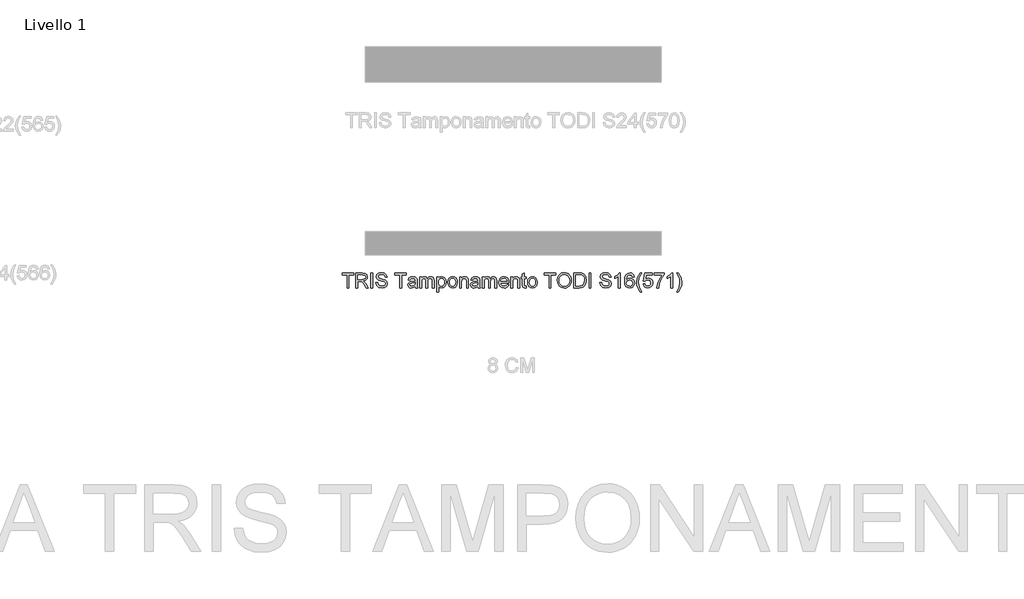
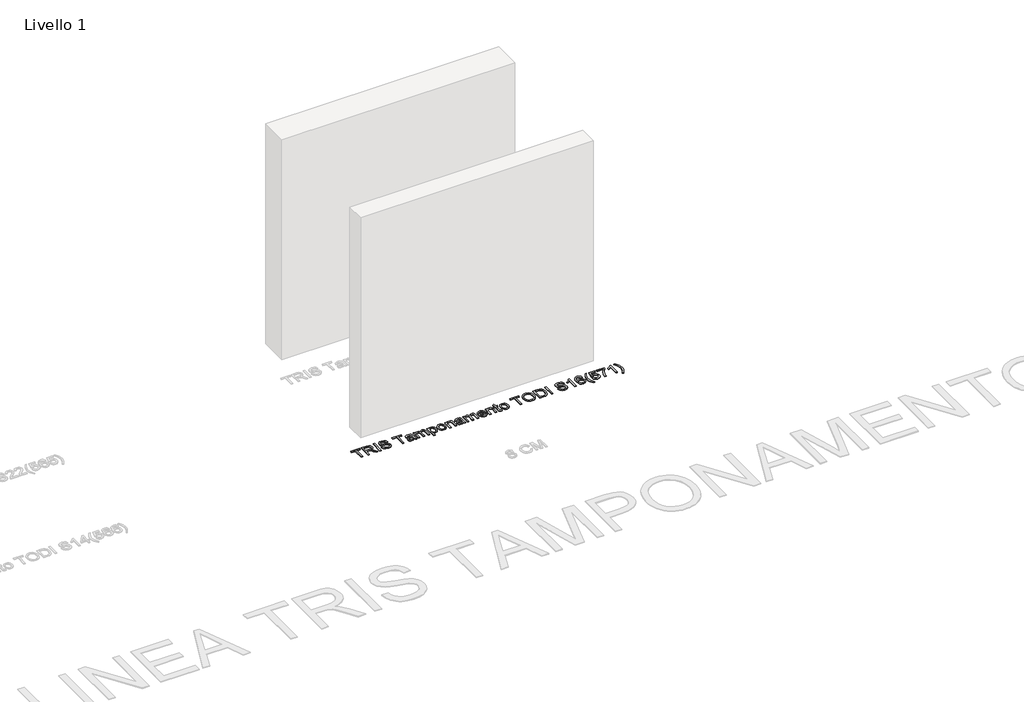
# One storey, part 2 of 18: 1 proxy.
"""IFC4 building model written with IfcOpenShell, lengths in millimetres."""

from ifc_helpers import new_model, si_unit, origin, origin_with_axes, place, context, project, spatial, polyline, outline, extrude, element, save

model = new_model("IFC4")

# Units and contexts
model_context = context("Model", 3, world=origin())
ifc_project = project(units=[si_unit("LENGTHUNIT", "METRE", prefix="MILLI")], contexts=[model_context])

# Site, building, storey
site = spatial("IfcSite", under=ifc_project)
building = spatial("IfcBuilding", under=site)
storey = spatial("IfcBuildingStorey", under=building, Name="Livello 1", Elevation=0.0)

# Proxy
placement = place(None, origin())
element("IfcBuildingElementProxy", 1, Name="100", ObjectType="100", at=placement, inside=storey, context=model_context, shape_type="SweptSolid", body=[
    extrude(outline(polyline([(-1344.3573526, -4262.7868115), (-1344.3573526, -4174.8875401), (-1377.3195794, -4174.8875401), (-1377.3195794, -4162.3305013), (-1298.8380871, -4162.3305013), (-1298.8380871, -4174.8875401), (-1331.8003138, -4174.8875401), (-1331.8003138, -4262.7868115), (-1344.3573526, -4262.7868115)])), origin_with_axes(), (0.0, 0.0, 1.0), 5.0),
    extrude(outline(polyline([(-1284.7114184, -4262.7868115), (-1284.7114184, -4162.3305013), (-1241.4239703, -4162.3305013), (-1221.3253507, -4165.0405654), (-1210.3379418, -4174.6300227), (-1206.2299261, -4189.8235491), (-1207.9313804, -4199.7195748), (-1213.0357431, -4207.9233433), (-1221.6962984, -4213.9382139), (-1234.0663304, -4217.2675459), (-1226.9294197, -4222.6386231), (-1216.7513512, -4235.5635438), (-1200.0004577, -4262.7868115), (-1214.5931102, -4262.7868115), (-1227.6651837, -4241.9646905), (-1237.1074883, -4228.1813785), (-1243.7416269, -4221.6698671), (-1249.713578, -4219.2786342), (-1256.9976415, -4218.8371758), (-1272.1543797, -4218.8371758), (-1272.1543797, -4262.7868115), (-1284.7114184, -4262.7868115)]), holes=[polyline([(-1272.1543797, -4206.280137), (-1244.0481952, -4206.280137), (-1229.7130602, -4204.5020407), (-1221.5706053, -4198.8121325), (-1218.7869649, -4190.289533), (-1224.0967284, -4179.2285476), (-1240.8844101, -4174.8875401), (-1272.1543797, -4174.8875401), (-1272.1543797, -4206.280137)])]), origin_with_axes(), (0.0, 0.0, 1.0), 5.0),
    extrude(outline(polyline([(-1182.6854785, -4262.7868115), (-1182.6854785, -4162.3305013), (-1170.1284397, -4162.3305013), (-1170.1284397, -4262.7868115), (-1182.6854785, -4262.7868115)])), origin_with_axes(), (0.0, 0.0, 1.0), 5.0),
    extrude(outline(polyline([(-1149.7232517, -4228.2549549), (-1137.1662129, -4228.2549549), (-1133.119511, -4240.8242564), (-1123.235748, -4248.7705075), (-1108.1771117, -4251.7994026), (-1095.0559872, -4249.5062714), (-1086.5824386, -4243.2032266), (-1083.7987981, -4234.7787289), (-1085.8834628, -4226.9428424), (-1094.4183251, -4221.2406715), (-1112.7020602, -4216.4459428), (-1132.383747, -4210.2532626), (-1143.0645876, -4200.9090599), (-1146.583992, -4188.4255975), (-1142.2307217, -4174.2130898), (-1129.5142674, -4164.182174), (-1110.8994385, -4160.7608715), (-1091.0338107, -4164.3415896), (-1077.7900589, -4174.8630146), (-1072.8113892, -4190.5838386), (-1085.368428, -4190.5838386), (-1087.6738218, -4183.0913086), (-1092.4808132, -4177.6834433), (-1110.4089291, -4173.3179102), (-1128.386096, -4177.6343923), (-1134.0269532, -4188.0577155), (-1130.0293022, -4196.7642561), (-1109.5260123, -4203.7785394), (-1087.3059398, -4210.0815843), (-1075.1535713, -4220.2596528), (-1071.2417594, -4234.4598978), (-1075.7421825, -4249.481746), (-1088.6916287, -4260.4446294), (-1107.6866024, -4264.3564413), (-1130.1151413, -4260.1380611), (-1144.3031236, -4247.4338695), (-1149.7232517, -4228.2549549)])), origin_with_axes(), (0.0, 0.0, 1.0), 5.0),
    extrude(outline(polyline([(-988.0513775, -4262.7868115), (-988.0513775, -4174.8875401), (-1021.0136043, -4174.8875401), (-1021.0136043, -4162.3305013), (-942.532112, -4162.3305013), (-942.532112, -4174.8875401), (-975.4943388, -4174.8875401), (-975.4943388, -4262.7868115), (-988.0513775, -4262.7868115)])), origin_with_axes(), (0.0, 0.0, 1.0), 5.0),
    extrude(outline(polyline([(-882.8861778, -4253.3690324), (-895.0630719, -4261.8793692), (-908.5152902, -4264.3564413), (-919.0091241, -4262.8665192), (-926.7499744, -4258.396753), (-931.5232433, -4251.6093302), (-933.1143329, -4243.1664384), (-930.7108372, -4233.2336245), (-924.3955296, -4226.0231374), (-915.60315, -4221.9028591), (-904.7383684, -4220.0143982), (-882.9597542, -4215.6979161), (-882.8861778, -4212.9020129), (-886.3442686, -4203.6313866), (-900.2256826, -4200.0016176), (-912.9298741, -4202.4173761), (-918.9876643, -4210.9890266), (-931.5447031, -4209.4193967), (-926.1123123, -4197.1566635), (-915.1739543, -4189.9707019), (-898.6070018, -4187.4445789), (-883.3889499, -4189.6763963), (-874.792774, -4195.2804654), (-870.9422757, -4203.8030649), (-870.3291391, -4214.7904738), (-870.3291391, -4230.4131959), (-869.691477, -4252.2285982), (-867.1898794, -4262.7868115), (-879.7469182, -4262.7868115), (-882.8861778, -4253.3690324)]), holes=[polyline([(-882.8861778, -4228.2549549), (-903.144213, -4232.1054531), (-913.947681, -4234.1410668), (-918.8405115, -4237.4520047), (-920.5572942, -4242.2835216), (-916.8171605, -4249.0770758), (-905.8420143, -4251.7994026), (-893.1378228, -4248.7950329), (-884.946317, -4241.5232322), (-882.9597542, -4231.8111475), (-882.8861778, -4228.2549549)])]), origin_with_axes(), (0.0, 0.0, 1.0), 5.0),
    extrude(outline(polyline([(-853.0632108, -4262.7868115), (-853.0632108, -4189.0142087), (-840.506172, -4189.0142087), (-840.506172, -4201.1543145), (-831.8732079, -4191.2092379), (-819.5859492, -4187.4445789), (-807.004385, -4191.2828143), (-800.0882035, -4202.0372313), (-790.2902797, -4191.092742), (-777.9171819, -4187.4445789), (-768.477943, -4188.9620921), (-761.4973822, -4193.5146318), (-757.1839658, -4201.2248253), (-755.7461603, -4212.2152999), (-755.7461603, -4262.7868115), (-768.3031991, -4262.7868115), (-768.3031991, -4217.6109025), (-769.4681587, -4207.1262656), (-773.6865389, -4201.9636549), (-780.8602379, -4200.0016176), (-793.2088102, -4205.0293382), (-796.8968272, -4211.5715064), (-798.1261662, -4221.1425696), (-798.1261662, -4262.7868115), (-810.6832049, -4262.7868115), (-810.6832049, -4216.2129509), (-813.5894727, -4204.0483196), (-823.1176164, -4200.0016176), (-832.4127681, -4202.6994189), (-838.5931856, -4210.5966191), (-840.506172, -4225.581679), (-840.506172, -4262.7868115), (-853.0632108, -4262.7868115)])), origin_with_axes(), (0.0, 0.0, 1.0), 5.0),
    extrude(outline(polyline([(-736.9106022, -4291.0401487), (-736.9106022, -4189.0142087), (-724.3535634, -4189.0142087), (-724.3535634, -4201.3259928), (-715.6715483, -4190.9149323), (-703.9483754, -4187.4445789), (-688.0313477, -4192.3006212), (-677.63255, -4205.9858314), (-674.1254083, -4225.3364244), (-678.0862711, -4245.6802987), (-689.5887148, -4259.5371872), (-705.4689543, -4264.3564413), (-716.3950496, -4261.1313425), (-724.3535634, -4252.9766249), (-724.3535634, -4291.0401487), (-736.9106022, -4291.0401487)]), holes=[polyline([(-724.3535634, -4226.4891213), (-722.9954657, -4237.7463103), (-718.9211726, -4245.618985), (-712.9093677, -4250.2542982), (-705.7387344, -4251.7994026), (-698.4516052, -4250.1991159), (-692.2865161, -4245.3982558), (-688.0834644, -4237.2374069), (-686.6824471, -4225.5571536), (-688.0497418, -4214.3612782), (-692.1516261, -4206.3782389), (-698.154234, -4201.5957729), (-705.2236996, -4200.0016176), (-712.3207565, -4201.6969405), (-718.5532906, -4206.7829091), (-722.9034952, -4215.1001078), (-724.3535634, -4226.4891213)])]), origin_with_axes(), (0.0, 0.0, 1.0), 5.0),
    extrude(outline(polyline([(-663.1379994, -4225.9005101), (-660.421804, -4208.1134156), (-652.2732178, -4195.6115592), (-642.2055139, -4189.4863239), (-630.1512472, -4187.4445789), (-616.959612, -4189.930848), (-606.4228585, -4197.3896555), (-599.515874, -4209.23239), (-597.2135459, -4224.8704405), (-601.2847733, -4247.2131403), (-613.1428363, -4259.8560182), (-630.1512472, -4264.3564413), (-643.5022979, -4261.8793692), (-654.0267886, -4254.4481529), (-660.8601967, -4242.357098), (-663.1379994, -4225.9005101)]), holes=[polyline([(-650.5809606, -4225.8759846), (-649.1278267, -4237.2404726), (-644.7684251, -4245.3369422), (-638.2078629, -4250.1837875), (-630.1512472, -4251.7994026), (-622.1314197, -4250.1745904), (-615.5831202, -4245.300154), (-611.2237185, -4237.0963855), (-609.7705846, -4225.4835772), (-611.2329156, -4214.450183), (-615.6199084, -4206.464078), (-622.1774049, -4201.6172327), (-630.1512472, -4200.0016176), (-638.2078629, -4201.6111014), (-644.7684251, -4206.4395525), (-649.1278267, -4214.517628), (-650.5809606, -4225.8759846)])]), origin_with_axes(), (0.0, 0.0, 1.0), 5.0),
    extrude(outline(polyline([(-583.0868772, -4262.7868115), (-583.0868772, -4189.0142087), (-570.5298385, -4189.0142087), (-570.5298385, -4199.3149046), (-560.9281184, -4190.4121603), (-547.8192566, -4187.4445789), (-535.9611937, -4189.8358118), (-527.8677898, -4196.1143312), (-524.1031307, -4205.3481693), (-523.4409431, -4217.4882751), (-523.4409431, -4262.7868115), (-535.9979819, -4262.7868115), (-535.9979819, -4219.1805323), (-537.4449844, -4208.0704961), (-542.5585441, -4202.1966469), (-551.1792455, -4200.0016176), (-564.8031421, -4204.9312364), (-569.0981644, -4212.0742784), (-570.5298385, -4223.6441672), (-570.5298385, -4262.7868115), (-583.0868772, -4262.7868115)])), origin_with_axes(), (0.0, 0.0, 1.0), 5.0),
    extrude(outline(polyline([(-459.0861194, -4253.3690324), (-471.2630134, -4261.8793692), (-484.7152317, -4264.3564413), (-495.2090656, -4262.8665192), (-502.949916, -4258.396753), (-507.7231849, -4251.6093302), (-509.3142745, -4243.1664384), (-506.9107788, -4233.2336245), (-500.5954712, -4226.0231374), (-491.8030915, -4221.9028591), (-480.9383099, -4220.0143982), (-459.1596958, -4215.6979161), (-459.0861194, -4212.9020129), (-462.5442102, -4203.6313866), (-476.4256241, -4200.0016176), (-489.1298157, -4202.4173761), (-495.1876059, -4210.9890266), (-507.7446446, -4209.4193967), (-502.3122538, -4197.1566635), (-491.3738958, -4189.9707019), (-474.8069433, -4187.4445789), (-459.5888915, -4189.6763963), (-450.9927155, -4195.2804654), (-447.1422173, -4203.8030649), (-446.5290806, -4214.7904738), (-446.5290806, -4230.4131959), (-445.8914185, -4252.2285982), (-443.3898209, -4262.7868115), (-455.9468597, -4262.7868115), (-459.0861194, -4253.3690324)]), holes=[polyline([(-459.0861194, -4228.2549549), (-479.3441546, -4232.1054531), (-490.1476225, -4234.1410668), (-495.0404531, -4237.4520047), (-496.7572357, -4242.2835216), (-493.0171021, -4249.0770758), (-482.0419559, -4251.7994026), (-469.3377643, -4248.7950329), (-461.1462586, -4241.5232322), (-459.1596958, -4231.8111475), (-459.0861194, -4228.2549549)])]), origin_with_axes(), (0.0, 0.0, 1.0), 5.0),
    extrude(outline(polyline([(-429.2631523, -4262.7868115), (-429.2631523, -4189.0142087), (-416.7061136, -4189.0142087), (-416.7061136, -4201.1543145), (-408.0731494, -4191.2092379), (-395.7858908, -4187.4445789), (-383.2043265, -4191.2828143), (-376.288145, -4202.0372313), (-366.4902212, -4191.092742), (-354.1171234, -4187.4445789), (-344.6778846, -4188.9620921), (-337.6973237, -4193.5146318), (-333.3839073, -4201.2248253), (-331.9461019, -4212.2152999), (-331.9461019, -4262.7868115), (-344.5031406, -4262.7868115), (-344.5031406, -4217.6109025), (-345.6681003, -4207.1262656), (-349.8864805, -4201.9636549), (-357.0601794, -4200.0016176), (-369.4087517, -4205.0293382), (-373.0967687, -4211.5715064), (-374.3261077, -4221.1425696), (-374.3261077, -4262.7868115), (-386.8831465, -4262.7868115), (-386.8831465, -4216.2129509), (-389.7894142, -4204.0483196), (-399.3175579, -4200.0016176), (-408.6127097, -4202.6994189), (-414.7931272, -4210.5966191), (-416.7061136, -4225.581679), (-416.7061136, -4262.7868115), (-429.2631523, -4262.7868115)])), origin_with_axes(), (0.0, 0.0, 1.0), 5.0),
    extrude(outline(polyline([(-261.4599116, -4240.8119936), (-249.1481275, -4242.3816235), (-253.5841712, -4251.6583811), (-260.6628339, -4258.5929567), (-270.2247001, -4262.9155702), (-282.1103543, -4264.3564413), (-296.8440282, -4261.8701722), (-308.180925, -4254.4113647), (-315.4098062, -4242.4643969), (-317.8194333, -4226.5136467), (-315.3852807, -4210.026402), (-308.0828231, -4197.6962238), (-296.8992105, -4190.0074901), (-282.8215928, -4187.4445789), (-269.1823678, -4190.0013587), (-258.2838637, -4197.6716983), (-251.1377559, -4209.9773511), (-248.75572, -4226.4400703), (-248.8292964, -4229.8245847), (-305.2623945, -4229.8245847), (-303.088825, -4239.2239697), (-298.0396446, -4246.1340198), (-290.7525155, -4250.3830569), (-281.8650996, -4251.7994026), (-269.5533155, -4249.1751777), (-261.4599116, -4240.8119936)]), holes=[polyline([(-305.2623945, -4217.2675459), (-261.3127588, -4217.2675459), (-266.3404794, -4205.8877296), (-273.6613311, -4201.4731456), (-282.8706437, -4200.0016176), (-298.3339502, -4204.6982444), (-303.1991896, -4210.1888832), (-305.2623945, -4217.2675459)])]), origin_with_axes(), (0.0, 0.0, 1.0), 5.0),
    extrude(outline(polyline([(-236.1986813, -4262.7868115), (-236.1986813, -4189.0142087), (-223.6416425, -4189.0142087), (-223.6416425, -4199.3149046), (-214.0399224, -4190.4121603), (-200.9310607, -4187.4445789), (-189.0729977, -4189.8358118), (-180.9795938, -4196.1143312), (-177.2149347, -4205.3481693), (-176.5527471, -4217.4882751), (-176.5527471, -4262.7868115), (-189.1097859, -4262.7868115), (-189.1097859, -4219.1805323), (-190.5567884, -4208.0704961), (-195.6703481, -4202.1966469), (-204.2910495, -4200.0016176), (-217.9149461, -4204.9312364), (-222.2099684, -4212.0742784), (-223.6416425, -4223.6441672), (-223.6416425, -4262.7868115), (-236.1986813, -4262.7868115)])), origin_with_axes(), (0.0, 0.0, 1.0), 5.0),
    extrude(outline(polyline([(-132.6031114, -4252.3144373), (-131.0334816, -4263.1546935), (-140.4267352, -4264.3564413), (-150.9481602, -4262.2717767), (-156.19661, -4256.8025977), (-157.717189, -4242.5533017), (-157.717189, -4201.5712475), (-167.134968, -4201.5712475), (-167.134968, -4189.0142087), (-157.717189, -4189.0142087), (-157.717189, -4171.0860928), (-145.1601502, -4163.7039274), (-145.1601502, -4189.0142087), (-132.6031114, -4189.0142087), (-132.6031114, -4201.5712475), (-145.1601502, -4201.5712475), (-145.1601502, -4242.1854197), (-144.4979626, -4248.6601429), (-142.3519843, -4250.953274), (-138.0722904, -4251.7994026), (-132.6031114, -4252.3144373)])), origin_with_axes(), (0.0, 0.0, 1.0), 5.0),
    extrude(outline(polyline([(-123.1853323, -4225.9005101), (-120.4691369, -4208.1134156), (-112.3205508, -4195.6115592), (-102.2528468, -4189.4863239), (-90.1985801, -4187.4445789), (-77.0069449, -4189.930848), (-66.4701914, -4197.3896555), (-59.563207, -4209.23239), (-57.2608788, -4224.8704405), (-61.3321062, -4247.2131403), (-73.1901692, -4259.8560182), (-90.1985801, -4264.3564413), (-103.5496308, -4261.8793692), (-114.0741216, -4254.4481529), (-120.9075297, -4242.357098), (-123.1853323, -4225.9005101)]), holes=[polyline([(-110.6282936, -4225.8759846), (-109.1751597, -4237.2404726), (-104.815758, -4245.3369422), (-98.2551958, -4250.1837875), (-90.1985801, -4251.7994026), (-82.1787526, -4250.1745904), (-75.6304531, -4245.300154), (-71.2710515, -4237.0963855), (-69.8179176, -4225.4835772), (-71.2802485, -4214.450183), (-75.6672413, -4206.464078), (-82.2247379, -4201.6172327), (-90.1985801, -4200.0016176), (-98.2551958, -4201.6111014), (-104.815758, -4206.4395525), (-109.1751597, -4214.517628), (-110.6282936, -4225.8759846)])]), origin_with_axes(), (0.0, 0.0, 1.0), 5.0),
    extrude(outline(polyline([(22.7902433, -4262.7868115), (22.7902433, -4174.8875401), (-10.1719834, -4174.8875401), (-10.1719834, -4162.3305013), (68.3095089, -4162.3305013), (68.3095089, -4174.8875401), (35.3472821, -4174.8875401), (35.3472821, -4262.7868115), (22.7902433, -4262.7868115)])), origin_with_axes(), (0.0, 0.0, 1.0), 5.0),
    extrude(outline(polyline([(77.727288, -4213.8830316), (81.0750141, -4191.6690904), (91.1181926, -4174.8630146), (106.4527404, -4164.2864073), (125.6745747, -4160.7608715), (138.8508815, -4162.4163405), (150.6660249, -4167.3827474), (160.4762114, -4175.3106044), (167.6376476, -4185.8504235), (172.0154433, -4198.4933014), (173.4747086, -4212.7303347), (171.9388012, -4227.1574402), (167.3310792, -4239.9781278), (159.9059943, -4250.536341), (149.9179981, -4258.1760238), (138.2040223, -4262.8113369), (125.6009983, -4264.3564413), (112.2223564, -4262.6488557), (100.3397679, -4257.5260989), (90.5541069, -4249.4510891), (83.4662471, -4238.8867445), (77.727288, -4213.8830316)]), holes=[polyline([(90.2843267, -4214.0056589), (92.7951213, -4229.7203515), (100.3275052, -4241.6949104), (111.6490736, -4249.2732795), (125.5274219, -4251.7994026), (139.6081052, -4249.2487541), (150.9480677, -4241.5968086), (158.4252693, -4229.2543676), (160.9176698, -4212.6322328), (156.6502387, -4191.9082137), (144.179039, -4178.1862153), (125.7481511, -4173.3179102), (112.2407505, -4175.663158), (100.7567009, -4182.6989011), (92.9024203, -4195.216086), (90.2843267, -4214.0056589)])]), origin_with_axes(), (0.0, 0.0, 1.0), 5.0),
    extrude(outline(polyline([(190.7406369, -4262.7868115), (190.7406369, -4162.3305013), (225.3951208, -4162.3305013), (243.3232367, -4163.7775038), (258.0875675, -4170.9634655), (269.9824186, -4188.1312919), (273.9310187, -4212.0190961), (271.2577429, -4232.2893941), (264.3906123, -4246.9188347), (255.2180879, -4256.0300455), (243.2128721, -4261.0700288), (227.0628525, -4262.7868115), (190.7406369, -4262.7868115)]), holes=[polyline([(203.2976756, -4250.2297727), (225.5177482, -4250.2297727), (241.6800305, -4248.4148882), (250.9997077, -4243.2890657), (258.6393905, -4230.8178661), (261.3739799, -4211.8228924), (260.0342764, -4198.1376822), (256.0151656, -4188.0331901), (242.9798802, -4176.8986283), (225.1743916, -4174.8875401), (203.2976756, -4174.8875401), (203.2976756, -4250.2297727)])]), origin_with_axes(), (0.0, 0.0, 1.0), 5.0),
    extrude(outline(polyline([(292.7665769, -4262.7868115), (292.7665769, -4162.3305013), (305.3236156, -4162.3305013), (305.3236156, -4262.7868115), (292.7665769, -4262.7868115)])), origin_with_axes(), (0.0, 0.0, 1.0), 5.0),
    extrude(outline(polyline([(364.9695498, -4228.2549549), (377.5265886, -4228.2549549), (381.5732905, -4240.8242564), (391.4570534, -4248.7705075), (406.5156898, -4251.7994026), (419.6368143, -4249.5062714), (428.1103629, -4243.2032266), (430.8940033, -4234.7787289), (428.8093387, -4226.9428424), (420.2744764, -4221.2406715), (401.9907412, -4216.4459428), (382.3090545, -4210.2532626), (371.6282139, -4200.9090599), (368.1088095, -4188.4255975), (372.4620798, -4174.2130898), (385.1785341, -4164.182174), (403.793363, -4160.7608715), (423.6589908, -4164.3415896), (436.9027426, -4174.8630146), (441.8814122, -4190.5838386), (429.3243735, -4190.5838386), (427.0189796, -4183.0913086), (422.2119882, -4177.6834433), (404.2838723, -4173.3179102), (386.3067055, -4177.6343923), (380.6658483, -4188.0577155), (384.6634993, -4196.7642561), (405.1667891, -4203.7785394), (427.3868616, -4210.0815843), (439.5392302, -4220.2596528), (443.4510421, -4234.4598978), (438.950619, -4249.481746), (426.0011728, -4260.4446294), (407.0061991, -4264.3564413), (384.5776601, -4260.1380611), (370.3896779, -4247.4338695), (364.9695498, -4228.2549549)])), origin_with_axes(), (0.0, 0.0, 1.0), 5.0),
    extrude(outline(polyline([(504.6666061, -4262.7868115), (492.1095673, -4262.7868115), (492.1095673, -4184.5015229), (480.2147161, -4192.9750715), (466.9954898, -4199.3149046), (466.9954898, -4187.4445789), (485.4018523, -4175.6968805), (496.5732022, -4162.3305013), (504.6666061, -4162.3305013), (504.6666061, -4262.7868115)])), origin_with_axes(), (0.0, 0.0, 1.0), 5.0),
    extrude(outline(polyline([(598.8443969, -4189.0142087), (586.2873581, -4190.5838386), (581.5294176, -4180.1114644), (568.9478534, -4174.8875401), (557.6170879, -4177.9286979), (549.0454374, -4189.3453025), (545.4769821, -4211.7247905), (556.5502301, -4201.7061375), (570.2722286, -4198.4319878), (581.8727741, -4200.6699366), (591.6093843, -4207.383783), (598.2128661, -4217.6415593), (600.4140267, -4230.5112978), (596.2692229, -4247.8385397), (584.864881, -4260.1012729), (568.4082931, -4264.3564413), (554.1620629, -4261.5360127), (542.815969, -4253.0747268), (535.3939497, -4238.1387178), (532.9199433, -4215.8941198), (535.6667956, -4190.8842755), (543.9073522, -4173.7838941), (555.1584099, -4165.1938495), (569.7326683, -4162.3305013), (580.7507341, -4164.1024663), (589.5737706, -4169.4183611), (595.7541881, -4177.8612529), (598.8443969, -4189.0142087)]), holes=[polyline([(545.4769821, -4230.315094), (548.3832499, -4241.1921384), (556.1087718, -4249.0893385), (567.4272745, -4251.7994026), (575.7138164, -4250.3953196), (582.2283934, -4246.1830708), (586.4498393, -4239.5611948), (587.8569879, -4230.9282307), (586.4682334, -4222.6416887), (582.3019698, -4216.3233155), (575.6770282, -4212.3225988), (566.9122397, -4210.9890266), (551.7187133, -4216.3233155), (547.0374149, -4222.4884046), (545.4769821, -4230.315094)])]), origin_with_axes(), (0.0, 0.0, 1.0), 5.0),
    extrude(outline(polyline([(639.6547729, -4291.0401487), (621.8247588, -4261.5850636), (616.3617112, -4244.4049744), (614.5406953, -4226.6117486), (619.9853488, -4196.077543), (639.6547729, -4162.3305013), (649.0725519, -4162.3305013), (637.3248536, -4182.2206545), (630.2615192, -4201.4976711), (627.0977341, -4226.685325), (632.5914385, -4258.8749996), (649.0725519, -4291.0401487), (639.6547729, -4291.0401487)])), origin_with_axes(), (0.0, 0.0, 1.0), 5.0),
    extrude(outline(polyline([(658.490331, -4236.1031041), (671.0473698, -4234.5334742), (677.3749401, -4247.4706577), (690.4960646, -4251.7994026), (699.4969107, -4250.2941521), (706.241414, -4245.7784006), (710.4536628, -4238.7733142), (711.8577458, -4229.8000592), (706.5970332, -4214.8885757), (699.9904857, -4210.7866915), (690.6922683, -4209.4193967), (679.6680712, -4211.6021632), (672.6169996, -4217.2675459), (660.0599609, -4215.6979161), (671.0473698, -4163.9001312), (719.705895, -4163.9001312), (719.705895, -4176.4571699), (681.2009128, -4176.4571699), (675.8298357, -4204.121896), (684.800025, -4198.6772424), (694.19941, -4196.8623579), (705.93178, -4199.1125695), (715.6714558, -4205.8632041), (722.2289524, -4216.1516372), (724.4147845, -4229.0152443), (722.4466159, -4241.5722831), (716.5421098, -4252.3144373), (705.2358699, -4261.3459403), (690.4470137, -4264.3564413), (678.1137698, -4262.4219952), (668.2882548, -4256.6186567), (661.5529486, -4247.6208762), (658.490331, -4236.1031041)])), origin_with_axes(), (0.0, 0.0, 1.0), 5.0),
    extrude(outline(polyline([(735.4021935, -4176.4571699), (735.4021935, -4163.9001312), (801.326647, -4163.9001312), (801.326647, -4174.0536742), (782.6259789, -4201.0684754), (768.3153693, -4235.4899674), (763.6555307, -4262.7868115), (751.0984919, -4262.7868115), (756.0894243, -4234.4598978), (769.7868973, -4202.4419015), (788.7696082, -4176.4571699), (735.4021935, -4176.4571699)])), origin_with_axes(), (0.0, 0.0, 1.0), 5.0),
    extrude(outline(polyline([(859.4029513, -4262.7868115), (846.8459125, -4262.7868115), (846.8459125, -4184.5015229), (834.9510614, -4192.9750715), (821.731835, -4199.3149046), (821.731835, -4187.4445789), (840.1381975, -4175.6968805), (851.3095474, -4162.3305013), (859.4029513, -4162.3305013), (859.4029513, -4262.7868115)])), origin_with_axes(), (0.0, 0.0, 1.0), 5.0),
    extrude(outline(polyline([(895.5044378, -4291.0401487), (886.0866587, -4291.0401487), (902.5677721, -4258.8749996), (908.0614765, -4226.685325), (904.8976914, -4201.7184003), (897.9079335, -4182.4168583), (886.0866587, -4162.3305013), (895.5044378, -4162.3305013), (915.1738618, -4196.077543), (920.6185153, -4226.6117486), (918.7883024, -4244.4049744), (913.2976636, -4261.5850636), (895.5044378, -4291.0401487)])), origin_with_axes(), (0.0, 0.0, 1.0), 5.0),
])

save(model, "model.ifc")
